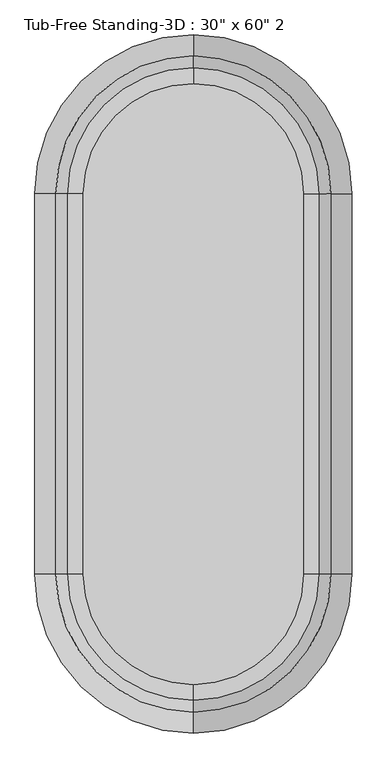
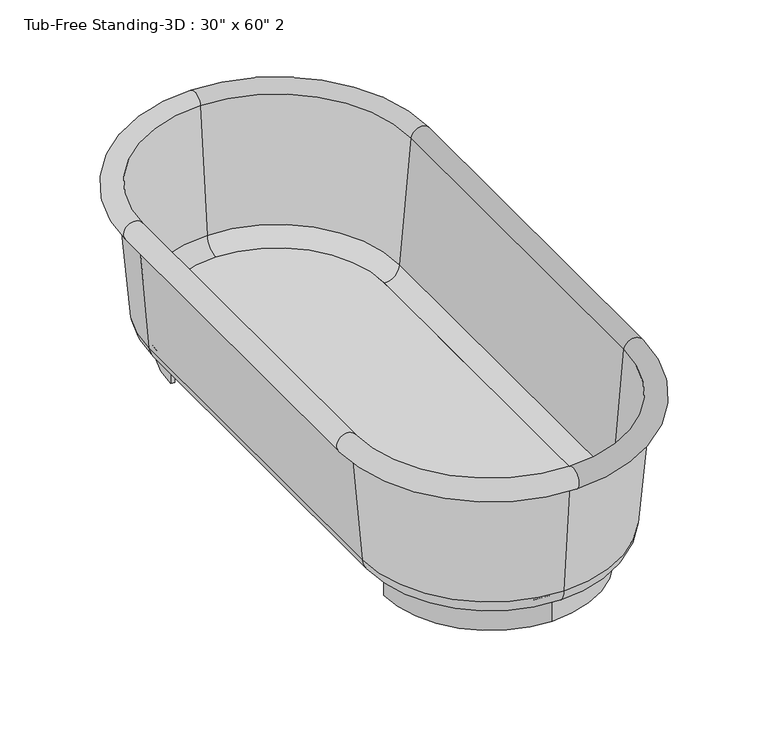
"""IFC4 building model written with IfcOpenShell, lengths in millimetres: flow terminal geometry."""

from ifc_helpers import new_model, si_unit, point, frame, frame_2d, origin, origin_with_axes, place, context, project, spatial, polyline, circle_curve, ellipse_curve, trimmed, segment, composite_curve, outline, extrude, source, transform, mapped, element, save
from ifc_brep_helpers import plane_surface, cylinder_surface, revolved_surface, advanced_brep


def flow_terminal_60a3a157(model_context):
    return source(origin(), model_context, "Body", "SolidModel", [
        extrude(outline(composite_curve([segment(trimmed(circle_curve(frame_2d((0.0, 457.2)), 254.0), [point((0.0, 711.2))], [point((-254.0, 457.2))], True, "CARTESIAN"), True, "CONTINUOUS"), segment(polyline([(-254.0, 457.2), (-264.2824236, 457.2)]), True, "CONTINUOUS"), segment(trimmed(circle_curve(frame_2d((0.0, 457.2)), 264.2824236), [point((-264.2824236, 457.2))], [point((0.0, 721.4824236))], False, "CARTESIAN"), True, "CONTINUOUS"), segment(trimmed(circle_curve(frame_2d((0.0, 457.2)), 264.2824236), [point((0.0, 721.4824236))], [point((264.2824236, 457.2))], False, "CARTESIAN"), True, "CONTINUOUS"), segment(polyline([(264.2824236, 457.2), (254.0, 457.2)]), True, "CONTINUOUS"), segment(trimmed(circle_curve(frame_2d((0.0, 457.2)), 254.0), [point((254.0, 457.2))], [point((0.0, 711.2))], True, "CARTESIAN"), True, "CONTINUOUS")], self_intersect=False)), origin_with_axes(), (0.0, 0.0, 1.0), 63.5),
        extrude(outline(composite_curve([segment(trimmed(circle_curve(frame_2d((0.0, -457.2)), 264.2824236), [point((0.0, -721.4824236))], [point((-264.2824236, -457.2))], False, "CARTESIAN"), True, "CONTINUOUS"), segment(polyline([(-264.2824236, -457.2), (-254.0, -457.2)]), True, "CONTINUOUS"), segment(trimmed(circle_curve(frame_2d((0.0, -457.2)), 254.0), [point((-254.0, -457.2))], [point((0.0, -711.2))], True, "CARTESIAN"), True, "CONTINUOUS"), segment(trimmed(circle_curve(frame_2d((0.0, -457.2)), 254.0), [point((0.0, -711.2))], [point((254.0, -457.2))], True, "CARTESIAN"), True, "CONTINUOUS"), segment(polyline([(254.0, -457.2), (264.2824236, -457.2)]), True, "CONTINUOUS"), segment(trimmed(circle_curve(frame_2d((0.0, -457.2)), 264.2824236), [point((264.2824236, -457.2))], [point((0.0, -721.4824236))], False, "CARTESIAN"), True, "CONTINUOUS")], self_intersect=False)), origin_with_axes(), (0.0, 0.0, 1.0), 63.5),
        extrude(outline(composite_curve([segment(polyline([(-264.2824236, -457.2), (-264.2824236, 457.2)]), True, "CONTINUOUS"), segment(trimmed(circle_curve(frame_2d((0.0, 457.2)), 264.2824236), [point((-264.2824236, 457.2))], [point((0.0, 721.4824236))], False, "CARTESIAN"), True, "CONTINUOUS"), segment(trimmed(circle_curve(frame_2d((0.0, 457.2)), 264.2824236), [point((0.0, 721.4824236))], [point((264.2824236, 457.2))], False, "CARTESIAN"), True, "CONTINUOUS"), segment(polyline([(264.2824236, 457.2), (264.2824236, -457.2)]), True, "CONTINUOUS"), segment(trimmed(circle_curve(frame_2d((0.0, -457.2)), 264.2824236), [point((264.2824236, -457.2))], [point((0.0, -721.4824236))], False, "CARTESIAN"), True, "CONTINUOUS"), segment(trimmed(circle_curve(frame_2d((0.0, -457.2)), 264.2824236), [point((0.0, -721.4824236))], [point((-264.2824236, -457.2))], False, "CARTESIAN"), True, "CONTINUOUS")], self_intersect=False)), frame((0.0, 0.0, 63.5), z_axis=(0.0, 0.0, 1.0), x_axis=(1.0, 0.0, 0.0)), (0.0, 0.0, 1.0), 15.08125),
        advanced_brep(
        [(0.0, -800.1, 406.4), (342.9, -457.2, 406.4), (355.6, -457.2, 406.4), (0.0, -812.8, 406.4), (0.0, -774.3045038, 111.5561295), (317.1045038, -457.2, 111.5561295), (0.0, -721.4824236, 63.1536107), (264.2824236, -457.2, 63.1536107), (0.0, -721.4824236, 78.0774627), (264.2824236, -457.2, 78.0774627), (0.0, -759.4374416, 112.8568289), (302.2374416, -457.2, 112.8568289), (0.0, -787.6561556, 435.3982063), (330.4561556, -457.2, 435.3982063), (-342.9, -457.2, 406.4), (-355.6, -457.2, 406.4), (-317.1045038, -457.2, 111.5561295), (-264.2824236, -457.2, 63.1536107), (-264.2824236, -457.2, 78.0774627), (-302.2374416, -457.2, 112.8568289), (-330.4561556, -457.2, 435.3982063), (-355.6, 457.2, 406.4), (-342.9, 457.2, 406.4), (-317.1045038, 457.2, 111.5561295), (-264.2824236, 457.2, 63.1536107), (-264.2824236, 457.2, 78.0774627), (-302.2374416, 457.2, 112.8568289), (-330.4561556, 457.2, 435.3982063), (0.0, 800.1, 406.4), (0.0, 812.8, 406.4), (0.0, 774.3045038, 111.5561295), (0.0, 721.4824236, 63.1536107), (0.0, 721.4824236, 78.0774627), (0.0, 759.4374416, 112.8568289), (0.0, 787.6561556, 435.3982063), (342.9, 457.2, 406.4), (355.6, 457.2, 406.4), (317.1045038, 457.2, 111.5561295), (264.2824236, 457.2, 63.1536107), (264.2824236, 457.2, 78.0774627), (302.2374416, 457.2, 112.8568289), (330.4561556, 457.2, 435.3982063)],
        [
            (0, 1, circle_curve(frame((0.0, -457.2, 406.4), z_axis=(0.0, 0.0, 1.0), x_axis=(1.0, 0.0, 0.0)), 342.9)),
            (1, 2),
            (2, 3, circle_curve(frame((0.0, -457.2, 406.4), z_axis=(0.0, 0.0, -1.0), x_axis=(1.0, 0.0, 0.0)), 355.6)),
            (3, 0),
            (4, 5, circle_curve(frame((0.0, -457.2, 111.5561295), z_axis=(0.0, 0.0, 1.0), x_axis=(1.0, 0.0, 0.0)), 317.1045038)),
            (5, 1),
            (0, 4),
            (6, 7, circle_curve(frame((0.0, -457.2, 63.1536107), z_axis=(0.0, 0.0, 1.0), x_axis=(1.0, 0.0, 0.0)), 264.2824236)),
            (7, 5, circle_curve(frame((264.2824236, -457.2, 116.1774627), z_axis=(0.0, -1.0, 0.0), x_axis=(1.0, 0.0, 0.0)), 53.023852)),
            (4, 6, circle_curve(frame((0.0, -721.4824236, 116.1774627), z_axis=(1.0, 0.0, 0.0), x_axis=(0.0, -1.0, 0.0)), 53.023852)),
            (8, 9, circle_curve(frame((0.0, -457.2, 78.0774627), z_axis=(0.0, 0.0, 1.0), x_axis=(1.0, 0.0, 0.0)), 264.2824236)),
            (9, 7),
            (6, 8),
            (10, 11, circle_curve(frame((0.0, -457.2, 112.8568289), z_axis=(0.0, 0.0, 1.0), x_axis=(1.0, 0.0, 0.0)), 302.2374416)),
            (11, 9, circle_curve(frame((264.2824236, -457.2, 116.1774627), z_axis=(0.0, 1.0, 0.0), x_axis=(1.0, 0.0, 0.0)), 38.1)),
            (8, 10, circle_curve(frame((0.0, -721.4824236, 116.1774627), z_axis=(-1.0, 0.0, 0.0), x_axis=(0.0, -1.0, 0.0)), 38.1)),
            (12, 13, circle_curve(frame((0.0, -457.2, 435.3982063), z_axis=(0.0, 0.0, 1.0), x_axis=(1.0, 0.0, 0.0)), 330.4561556)),
            (13, 11),
            (10, 12),
            (2, 13, circle_curve(frame((355.6, -457.2, 431.8), z_axis=(0.0, -1.0, 0.0), x_axis=(1.0, 0.0, 0.0)), 25.4)),
            (12, 3, circle_curve(frame((0.0, -812.8, 431.8), z_axis=(1.0, 0.0, 0.0), x_axis=(0.0, -1.0, 0.0)), 25.4)),
            (14, 0, circle_curve(frame((0.0, -457.2, 406.4), z_axis=(0.0, 0.0, 1.0), x_axis=(0.0, -1.0, 0.0)), 342.9)),
            (3, 15, circle_curve(frame((0.0, -457.2, 406.4), z_axis=(0.0, 0.0, -1.0), x_axis=(0.0, -1.0, 0.0)), 355.6)),
            (15, 14),
            (16, 4, circle_curve(frame((0.0, -457.2, 111.5561295), z_axis=(0.0, 0.0, 1.0), x_axis=(0.0, -1.0, 0.0)), 317.1045038)),
            (14, 16),
            (17, 6, circle_curve(frame((0.0, -457.2, 63.1536107), z_axis=(0.0, 0.0, 1.0), x_axis=(0.0, -1.0, 0.0)), 264.2824236)),
            (16, 17, circle_curve(frame((-264.2824236, -457.2, 116.1774627), z_axis=(0.0, -1.0, 0.0), x_axis=(-1.0, 0.0, 0.0)), 53.023852)),
            (18, 8, circle_curve(frame((0.0, -457.2, 78.0774627), z_axis=(0.0, 0.0, 1.0), x_axis=(0.0, -1.0, 0.0)), 264.2824236)),
            (17, 18),
            (19, 10, circle_curve(frame((0.0, -457.2, 112.8568289), z_axis=(0.0, 0.0, 1.0), x_axis=(0.0, -1.0, 0.0)), 302.2374416)),
            (18, 19, circle_curve(frame((-264.2824236, -457.2, 116.1774627), z_axis=(0.0, 1.0, 0.0), x_axis=(-1.0, 0.0, 0.0)), 38.1)),
            (20, 12, circle_curve(frame((0.0, -457.2, 435.3982063), z_axis=(0.0, 0.0, 1.0), x_axis=(0.0, -1.0, 0.0)), 330.4561556)),
            (19, 20),
            (20, 15, circle_curve(frame((-355.6, -457.2, 431.8), z_axis=(0.0, -1.0, 0.0), x_axis=(-1.0, 0.0, 0.0)), 25.4)),
            (15, 21),
            (21, 22),
            (22, 14),
            (22, 23),
            (23, 16),
            (23, 24, circle_curve(frame((-264.2824236, 457.2, 116.1774627), z_axis=(0.0, -1.0, 0.0), x_axis=(-1.0, 0.0, 0.0)), 53.023852)),
            (24, 17),
            (24, 25),
            (25, 18),
            (25, 26, circle_curve(frame((-264.2824236, 457.2, 116.1774627), z_axis=(0.0, 1.0, 0.0), x_axis=(-1.0, 0.0, 0.0)), 38.1)),
            (26, 19),
            (26, 27),
            (27, 20),
            (27, 21, circle_curve(frame((-355.6, 457.2, 431.8), z_axis=(0.0, -1.0, 0.0), x_axis=(-1.0, 0.0, 0.0)), 25.4)),
            (28, 22, circle_curve(frame((0.0, 457.2, 406.4), z_axis=(0.0, 0.0, 1.0), x_axis=(-1.0, 0.0, 0.0)), 342.9)),
            (21, 29, circle_curve(frame((0.0, 457.2, 406.4), z_axis=(0.0, 0.0, -1.0), x_axis=(-1.0, 0.0, 0.0)), 355.6)),
            (29, 28),
            (30, 23, circle_curve(frame((0.0, 457.2, 111.5561295), z_axis=(0.0, 0.0, 1.0), x_axis=(-1.0, 0.0, 0.0)), 317.1045038)),
            (28, 30),
            (31, 24, circle_curve(frame((0.0, 457.2, 63.1536107), z_axis=(0.0, 0.0, 1.0), x_axis=(-1.0, 0.0, 0.0)), 264.2824236)),
            (30, 31, circle_curve(frame((0.0, 721.4824236, 116.1774627), z_axis=(-1.0, 0.0, 0.0), x_axis=(0.0, 1.0, 0.0)), 53.023852)),
            (32, 25, circle_curve(frame((0.0, 457.2, 78.0774627), z_axis=(0.0, 0.0, 1.0), x_axis=(-1.0, 0.0, 0.0)), 264.2824236)),
            (31, 32),
            (33, 26, circle_curve(frame((0.0, 457.2, 112.8568289), z_axis=(0.0, 0.0, 1.0), x_axis=(-1.0, 0.0, 0.0)), 302.2374416)),
            (32, 33, circle_curve(frame((0.0, 721.4824236, 116.1774627), z_axis=(1.0, 0.0, 0.0), x_axis=(0.0, 1.0, 0.0)), 38.1)),
            (34, 27, circle_curve(frame((0.0, 457.2, 435.3982063), z_axis=(0.0, 0.0, 1.0), x_axis=(-1.0, 0.0, 0.0)), 330.4561556)),
            (33, 34),
            (34, 29, circle_curve(frame((0.0, 812.8, 431.8), z_axis=(-1.0, 0.0, 0.0), x_axis=(0.0, 1.0, 0.0)), 25.4)),
            (35, 28, circle_curve(frame((0.0, 457.2, 406.4), z_axis=(0.0, 0.0, 1.0), x_axis=(0.0, 1.0, 0.0)), 342.9)),
            (29, 36, circle_curve(frame((0.0, 457.2, 406.4), z_axis=(0.0, 0.0, -1.0), x_axis=(0.0, 1.0, 0.0)), 355.6)),
            (36, 35),
            (37, 30, circle_curve(frame((0.0, 457.2, 111.5561295), z_axis=(0.0, 0.0, 1.0), x_axis=(0.0, 1.0, 0.0)), 317.1045038)),
            (35, 37),
            (38, 31, circle_curve(frame((0.0, 457.2, 63.1536107), z_axis=(0.0, 0.0, 1.0), x_axis=(0.0, 1.0, 0.0)), 264.2824236)),
            (37, 38, circle_curve(frame((264.2824236, 457.2, 116.1774627), z_axis=(0.0, 1.0, 0.0), x_axis=(1.0, 0.0, 0.0)), 53.023852)),
            (39, 32, circle_curve(frame((0.0, 457.2, 78.0774627), z_axis=(0.0, 0.0, 1.0), x_axis=(0.0, 1.0, 0.0)), 264.2824236)),
            (38, 39),
            (40, 33, circle_curve(frame((0.0, 457.2, 112.8568289), z_axis=(0.0, 0.0, 1.0), x_axis=(0.0, 1.0, 0.0)), 302.2374416)),
            (39, 40, circle_curve(frame((264.2824236, 457.2, 116.1774627), z_axis=(0.0, -1.0, 0.0), x_axis=(1.0, 0.0, 0.0)), 38.1)),
            (41, 34, circle_curve(frame((0.0, 457.2, 435.3982063), z_axis=(0.0, 0.0, 1.0), x_axis=(0.0, 1.0, 0.0)), 330.4561556)),
            (40, 41),
            (41, 36, circle_curve(frame((355.6, 457.2, 431.8), z_axis=(0.0, 1.0, 0.0), x_axis=(1.0, 0.0, 0.0)), 25.4)),
            (36, 2),
            (1, 35),
            (5, 37),
            (7, 38),
            (9, 39),
            (11, 40),
            (13, 41),
        ],
        [
            plane_surface(frame((0.0, -457.2, 406.4), z_axis=(0.0, 0.0, -1.0), x_axis=(1.0, 0.0, 0.0))),
            revolved_surface(polyline([(342.9, -457.2, 406.4), (317.1045038, -457.2, 111.5561295)]), (0.0, -457.2, 431.8), (0.0, 0.0, -1.0)),
            revolved_surface(trimmed(ellipse_curve(frame((264.2824236, -457.2, 116.1774627), z_axis=(0.0, 1.0, 0.0), x_axis=(1.0, 0.0, 0.0)), 53.023852, 53.023852), [point((317.1045038, -457.2, 111.5561295))], [point((264.2824236, -457.2, 63.1536107))], True, "CARTESIAN"), (0.0, -457.2, 431.8), (0.0, 0.0, -1.0)),
            revolved_surface(polyline([(264.2824236, -457.2, 63.1536107), (264.2824236, -457.2, 78.07746270000001)]), (0.0, -457.2, 431.8), (0.0, 0.0, -1.0)),
            revolved_surface(trimmed(ellipse_curve(frame((264.2824236, -457.2, 116.1774627), z_axis=(0.0, -1.0, 0.0), x_axis=(1.0, 0.0, 0.0)), 38.1, 38.1), [point((264.2824236, -457.2, 78.0774627))], [point((302.2374416, -457.2, 112.8568289))], True, "CARTESIAN"), (0.0, -457.2, 431.8), (0.0, 0.0, -1.0)),
            revolved_surface(polyline([(302.2374416, -457.2, 112.8568289), (330.4561556, -457.2, 435.3982063)]), (0.0, -457.2, 431.8), (0.0, 0.0, -1.0)),
            revolved_surface(trimmed(ellipse_curve(frame((355.6, -457.2, 431.8), z_axis=(0.0, 1.0, 0.0), x_axis=(1.0, 0.0, 0.0)), 25.4, 25.4), [point((330.4561556, -457.2, 435.3982063))], [point((355.6, -457.2, 406.4))], True, "CARTESIAN"), (0.0, -457.2, 431.8), (0.0, 0.0, -1.0)),
            plane_surface(frame((0.0, -457.2, 406.4), z_axis=(0.0, 0.0, -1.0), x_axis=(0.0, -1.0, 0.0))),
            revolved_surface(polyline([(0.0, -800.1, 406.4), (0.0, -774.3045038, 111.5561295)]), (0.0, -457.2, 431.8), (0.0, 0.0, -1.0)),
            revolved_surface(trimmed(ellipse_curve(frame((0.0, -721.4824236, 116.1774627), z_axis=(1.0, 0.0, 0.0), x_axis=(0.0, -1.0, 0.0)), 53.023852, 53.023852), [point((0.0, -774.3045038, 111.5561295))], [point((0.0, -721.4824236, 63.1536107))], True, "CARTESIAN"), (0.0, -457.2, 431.8), (0.0, 0.0, -1.0)),
            revolved_surface(polyline([(0.0, -721.4824236, 63.1536107), (0.0, -721.4824236, 78.07746270000001)]), (0.0, -457.2, 431.8), (0.0, 0.0, -1.0)),
            revolved_surface(trimmed(ellipse_curve(frame((0.0, -721.4824236, 116.1774627), z_axis=(-1.0, 0.0, 0.0), x_axis=(0.0, -1.0, 0.0)), 38.1, 38.1), [point((0.0, -721.4824236, 78.0774627))], [point((0.0, -759.4374416, 112.8568289))], True, "CARTESIAN"), (0.0, -457.2, 431.8), (0.0, 0.0, -1.0)),
            revolved_surface(polyline([(0.0, -759.4374416, 112.8568289), (0.0, -787.6561556, 435.3982063)]), (0.0, -457.2, 431.8), (0.0, 0.0, -1.0)),
            revolved_surface(trimmed(ellipse_curve(frame((0.0, -812.8, 431.8), z_axis=(1.0, 0.0, 0.0), x_axis=(0.0, -1.0, 0.0)), 25.4, 25.4), [point((0.0, -787.6561556, 435.3982063))], [point((0.0, -812.8, 406.4))], True, "CARTESIAN"), (0.0, -457.2, 431.8), (0.0, 0.0, -1.0)),
            plane_surface(frame((-355.6, -457.2, 406.4), z_axis=(0.0, 0.0, -1.0), x_axis=(0.0, 1.0, 0.0))),
            plane_surface(frame((-342.9, -457.2, 406.4), z_axis=(-0.9961946980917455, 0.0, -0.08715574274765871), x_axis=(0.0, 1.0, 0.0))),
            cylinder_surface(frame((-264.2824236, -457.2, 116.1774627), z_axis=(0.0, -1.0, 0.0), x_axis=(-1.0, 0.0, 0.0)), 53.023852),
            plane_surface(frame((-264.2824236, -457.2, 63.1536107), z_axis=(1.0, 0.0, 0.0), x_axis=(0.0, 1.0, 0.0))),
            revolved_surface(polyline([(-302.38242360000004, 457.2, 116.1774627), (-302.38242360000004, -457.2, 116.1774627)]), (-264.2824236, -457.2, 116.1774627), (0.0, 1.0, 0.0)),
            plane_surface(frame((-302.2374416, -457.2, 112.8568289), z_axis=(0.9961946980917458, 0.0, 0.08715574274765651), x_axis=(0.0, 1.0, 0.0))),
            cylinder_surface(frame((-355.6, -457.2, 431.8), z_axis=(0.0, -1.0, 0.0), x_axis=(-1.0, 0.0, 0.0)), 25.4),
            plane_surface(frame((0.0, 457.2, 406.4), z_axis=(0.0, 0.0, -1.0), x_axis=(-1.0, 0.0, 0.0))),
            revolved_surface(polyline([(-342.9, 457.2, 406.4), (-317.1045038, 457.2, 111.5561295)]), (0.0, 457.2, 431.8), (0.0, 0.0, -1.0)),
            revolved_surface(trimmed(ellipse_curve(frame((-264.2824236, 457.2, 116.1774627), z_axis=(0.0, -1.0, 0.0), x_axis=(-1.0, 0.0, 0.0)), 53.023852, 53.023852), [point((-317.1045038, 457.2, 111.5561295))], [point((-264.2824236, 457.2, 63.1536107))], True, "CARTESIAN"), (0.0, 457.2, 431.8), (0.0, 0.0, -1.0)),
            revolved_surface(polyline([(-264.2824236, 457.2, 63.1536107), (-264.2824236, 457.2, 78.07746270000001)]), (0.0, 457.2, 431.8), (0.0, 0.0, -1.0)),
            revolved_surface(trimmed(ellipse_curve(frame((-264.2824236, 457.2, 116.1774627), z_axis=(0.0, 1.0, 0.0), x_axis=(-1.0, 0.0, 0.0)), 38.1, 38.1), [point((-264.2824236, 457.2, 78.0774627))], [point((-302.2374416, 457.2, 112.8568289))], True, "CARTESIAN"), (0.0, 457.2, 431.8), (0.0, 0.0, -1.0)),
            revolved_surface(polyline([(-302.2374416, 457.2, 112.8568289), (-330.4561556, 457.2, 435.3982063)]), (0.0, 457.2, 431.8), (0.0, 0.0, -1.0)),
            revolved_surface(trimmed(ellipse_curve(frame((-355.6, 457.2, 431.8), z_axis=(0.0, -1.0, 0.0), x_axis=(-1.0, 0.0, 0.0)), 25.4, 25.4), [point((-330.4561556, 457.2, 435.3982063))], [point((-355.6, 457.2, 406.4))], True, "CARTESIAN"), (0.0, 457.2, 431.8), (0.0, 0.0, -1.0)),
            plane_surface(frame((0.0, 457.2, 406.4), z_axis=(0.0, 0.0, -1.0), x_axis=(0.0, 1.0, 0.0))),
            revolved_surface(polyline([(0.0, 800.1, 406.4), (0.0, 774.3045038, 111.5561295)]), (0.0, 457.2, 431.8), (0.0, 0.0, -1.0)),
            revolved_surface(trimmed(ellipse_curve(frame((0.0, 721.4824236, 116.1774627), z_axis=(-1.0, 0.0, 0.0), x_axis=(0.0, 1.0, 0.0)), 53.023852, 53.023852), [point((0.0, 774.3045038, 111.5561295))], [point((0.0, 721.4824236, 63.1536107))], True, "CARTESIAN"), (0.0, 457.2, 431.8), (0.0, 0.0, -1.0)),
            revolved_surface(polyline([(0.0, 721.4824236, 63.1536107), (0.0, 721.4824236, 78.07746270000001)]), (0.0, 457.2, 431.8), (0.0, 0.0, -1.0)),
            revolved_surface(trimmed(ellipse_curve(frame((0.0, 721.4824236, 116.1774627), z_axis=(1.0, 0.0, 0.0), x_axis=(0.0, 1.0, 0.0)), 38.1, 38.1), [point((0.0, 721.4824236, 78.0774627))], [point((0.0, 759.4374416, 112.8568289))], True, "CARTESIAN"), (0.0, 457.2, 431.8), (0.0, 0.0, -1.0)),
            revolved_surface(polyline([(0.0, 759.4374416, 112.8568289), (0.0, 787.6561556, 435.3982063)]), (0.0, 457.2, 431.8), (0.0, 0.0, -1.0)),
            revolved_surface(trimmed(ellipse_curve(frame((0.0, 812.8, 431.8), z_axis=(-1.0, 0.0, 0.0), x_axis=(0.0, 1.0, 0.0)), 25.4, 25.4), [point((0.0, 787.6561556, 435.3982063))], [point((0.0, 812.8, 406.4))], True, "CARTESIAN"), (0.0, 457.2, 431.8), (0.0, 0.0, -1.0)),
            plane_surface(frame((355.6, 457.2, 406.4), z_axis=(0.0, 0.0, -1.0), x_axis=(0.0, -1.0, 0.0))),
            plane_surface(frame((342.9, 457.2, 406.4), z_axis=(0.9961946980917455, 0.0, -0.08715574274765871), x_axis=(0.0, -1.0, 0.0))),
            cylinder_surface(frame((264.2824236, 457.2, 116.1774627), z_axis=(0.0, 1.0, 0.0), x_axis=(1.0, 0.0, 0.0)), 53.023852),
            plane_surface(frame((264.2824236, 457.2, 63.1536107), z_axis=(-1.0, 0.0, 0.0), x_axis=(0.0, -1.0, 0.0))),
            revolved_surface(polyline([(302.38242360000004, -457.2, 116.1774627), (302.38242360000004, 457.2, 116.1774627)]), (264.2824236, 457.2, 116.1774627), (0.0, -1.0, 0.0)),
            plane_surface(frame((302.2374416, 457.2, 112.8568289), z_axis=(-0.9961946980917458, 0.0, 0.08715574274765651), x_axis=(0.0, -1.0, 0.0))),
            cylinder_surface(frame((355.6, 457.2, 431.8), z_axis=(0.0, 1.0, 0.0), x_axis=(1.0, 0.0, 0.0)), 25.4),
        ],
        [
            (0, [[1, 2, 3, 4]]),
            (1, [[5, 6, -1, 7]]),
            (2, [[8, 9, -5, 10]]),
            (3, [[11, 12, -8, 13]]),
            (4, [[14, 15, -11, 16]]),
            (5, [[17, 18, -14, 19]]),
            (6, [[-3, 20, -17, 21]]),
            (7, [[22, -4, 23, 24]]),
            (8, [[25, -7, -22, 26]]),
            (9, [[27, -10, -25, 28]]),
            (10, [[29, -13, -27, 30]]),
            (11, [[31, -16, -29, 32]]),
            (12, [[33, -19, -31, 34]]),
            (13, [[-23, -21, -33, 35]]),
            (14, [[-24, 36, 37, 38]]),
            (15, [[-26, -38, 39, 40]]),
            (16, [[-28, -40, 41, 42]]),
            (17, [[-30, -42, 43, 44]]),
            (18, [[-32, -44, 45, 46]]),
            (19, [[-34, -46, 47, 48]]),
            (20, [[-35, -48, 49, -36]]),
            (21, [[50, -37, 51, 52]]),
            (22, [[53, -39, -50, 54]]),
            (23, [[55, -41, -53, 56]]),
            (24, [[57, -43, -55, 58]]),
            (25, [[59, -45, -57, 60]]),
            (26, [[61, -47, -59, 62]]),
            (27, [[-51, -49, -61, 63]]),
            (28, [[64, -52, 65, 66]]),
            (29, [[67, -54, -64, 68]]),
            (30, [[69, -56, -67, 70]]),
            (31, [[71, -58, -69, 72]]),
            (32, [[73, -60, -71, 74]]),
            (33, [[75, -62, -73, 76]]),
            (34, [[-65, -63, -75, 77]]),
            (35, [[-66, 78, -2, 79]]),
            (36, [[-68, -79, -6, 80]]),
            (37, [[-70, -80, -9, 81]]),
            (38, [[-72, -81, -12, 82]]),
            (39, [[-74, -82, -15, 83]]),
            (40, [[-76, -83, -18, 84]]),
            (41, [[-77, -84, -20, -78]]),
        ],
    ),
    ])


if __name__ == "__main__":
    model = new_model("IFC4")
    model_context = context("Model", 3, world=origin())
    ifc_project = project(units=[si_unit("LENGTHUNIT", "METRE", prefix="MILLI")], contexts=[model_context])
    site = spatial("IfcSite", under=ifc_project)
    building = spatial("IfcBuilding", under=site)
    placement = place(None, origin())
    flow_terminal_shape = flow_terminal_60a3a157(model_context)
    element("IfcFlowTerminal", 1, ObjectType="Tub-Free Standing-3D : 30\" x 60\" 2", at=placement, inside=building, context=model_context, shape_type="MappedRepresentation", body=[
        mapped(flow_terminal_shape, transform((0.0, 0.0, 0.0), x_axis=(1.0, 0.0, 0.0), y_axis=(0.0, 1.0, 0.0), z_axis=(0.0, 0.0, 1.0))),
    ])
    save(model, "model.ifc")
